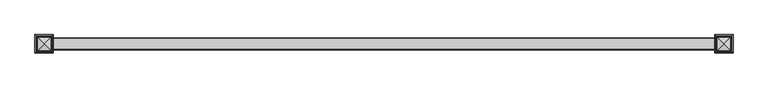
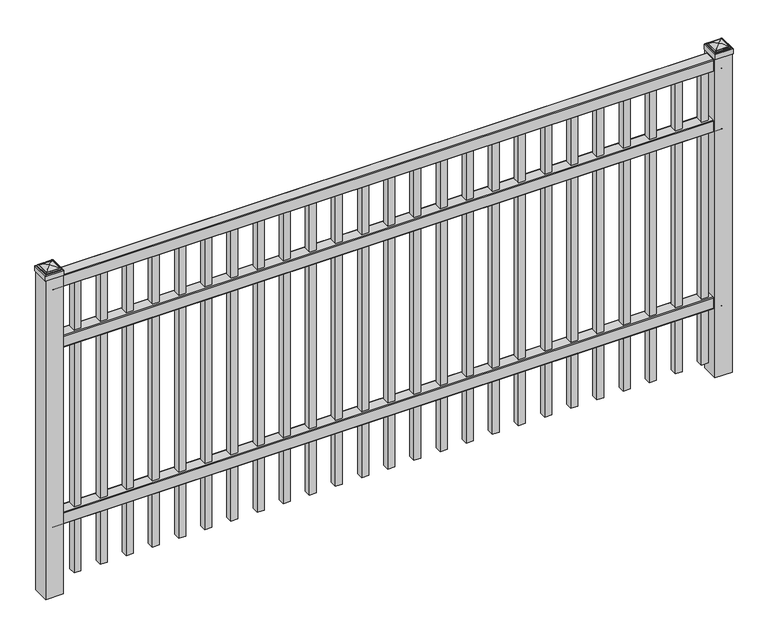
"""IFC4 building model written with IfcOpenShell, lengths in millimetres: railing geometry."""

from ifc_helpers import new_model, si_unit, point, frame, frame_2d, origin, origin_with_axes, place, context, project, spatial, polyline, circle_curve, ellipse_curve, trimmed, segment, composite_curve, outline, extrude, source, transform, mapped, element, save
from ifc_brep_helpers import plane_surface, cylinder_surface, advanced_brep


def railing_32d222ca(model_context):
    return source(origin(), model_context, "Body", "SolidModel", [
        extrude(outline(composite_curve([segment(polyline([(13397.9139761, 304.8), (13435.969541, 304.8)]), True, "CONTINUOUS"), segment(trimmed(circle_curve(frame_2d((13435.969541, 301.625)), 3.175), [point((13435.969541, 304.8))], [point((13439.144541, 301.625))], False, "CARTESIAN"), True, "CONTINUOUS"), segment(polyline([(13439.144541, 301.625), (13439.144541, 262.1439893)]), True, "CONTINUOUS"), segment(trimmed(circle_curve(frame_2d((13437.3505518, 262.1439893)), 1.7939893), [point((13439.144541, 262.1439893))], [point((13437.3505518, 260.35))], False, "CARTESIAN"), True, "CONTINUOUS"), segment(polyline([(13437.3505518, 260.35), (13434.7590713, 260.35)]), True, "CONTINUOUS"), segment(trimmed(circle_curve(frame_2d((13434.7590713, 262.1359375)), 1.7859375), [point((13434.7590713, 260.35))], [point((13432.9755813, 262.0424688))], False, "CARTESIAN"), True, "CONTINUOUS"), segment(polyline([(13432.9755813, 262.0424688), (13431.4025867, 292.0569942), (13402.4364954, 292.0569942), (13400.8635007, 262.0424688)]), True, "CONTINUOUS"), segment(trimmed(circle_curve(frame_2d((13399.0800108, 262.1359375)), 1.7859375), [point((13400.8635007, 262.0424688))], [point((13399.0800108, 260.35))], False, "CARTESIAN"), True, "CONTINUOUS"), segment(polyline([(13399.0800108, 260.35), (13396.4804785, 260.35)]), True, "CONTINUOUS"), segment(trimmed(circle_curve(frame_2d((13396.4804785, 262.1359375)), 1.7859375), [point((13396.4804785, 260.35))], [point((13394.694541, 262.1359375))], False, "CARTESIAN"), True, "CONTINUOUS"), segment(polyline([(13394.694541, 262.1359375), (13394.694541, 301.5805649)]), True, "CONTINUOUS"), segment(trimmed(circle_curve(frame_2d((13397.9139761, 301.5805649)), 3.2194351), [point((13394.694541, 301.5805649))], [point((13397.9139761, 304.8))], False, "CARTESIAN"), True, "CONTINUOUS")], self_intersect=False)), frame((-10765.0649936, 0.0, 0.0), z_axis=(1.0, 0.0, 0.0), x_axis=(0.0, 1.0, 0.0)), (0.0, 0.0, 1.0), 2438.4),
        extrude(outline(composite_curve([segment(polyline([(13397.9139761, 985.8375), (13435.969541, 985.8375)]), True, "CONTINUOUS"), segment(trimmed(circle_curve(frame_2d((13435.969541, 982.6625)), 3.175), [point((13435.969541, 985.8375))], [point((13439.144541, 982.6625))], False, "CARTESIAN"), True, "CONTINUOUS"), segment(polyline([(13439.144541, 982.6625), (13439.144541, 943.1814893)]), True, "CONTINUOUS"), segment(trimmed(circle_curve(frame_2d((13437.3505518, 943.1814893)), 1.7939893), [point((13439.144541, 943.1814893))], [point((13437.3505518, 941.3875))], False, "CARTESIAN"), True, "CONTINUOUS"), segment(polyline([(13437.3505518, 941.3875), (13434.7590713, 941.3875)]), True, "CONTINUOUS"), segment(trimmed(circle_curve(frame_2d((13434.7590713, 943.1734375)), 1.7859375), [point((13434.7590713, 941.3875))], [point((13432.9755813, 943.0799688))], False, "CARTESIAN"), True, "CONTINUOUS"), segment(polyline([(13432.9755813, 943.0799688), (13431.4025867, 973.0944942), (13402.4364954, 973.0944942), (13400.8635007, 943.0799688)]), True, "CONTINUOUS"), segment(trimmed(circle_curve(frame_2d((13399.0800108, 943.1734375)), 1.7859375), [point((13400.8635007, 943.0799688))], [point((13399.0800108, 941.3875))], False, "CARTESIAN"), True, "CONTINUOUS"), segment(polyline([(13399.0800108, 941.3875), (13396.4804785, 941.3875)]), True, "CONTINUOUS"), segment(trimmed(circle_curve(frame_2d((13396.4804785, 943.1734375)), 1.7859375), [point((13396.4804785, 941.3875))], [point((13394.694541, 943.1734375))], False, "CARTESIAN"), True, "CONTINUOUS"), segment(polyline([(13394.694541, 943.1734375), (13394.694541, 982.6180649)]), True, "CONTINUOUS"), segment(trimmed(circle_curve(frame_2d((13397.9139761, 982.6180649)), 3.2194351), [point((13394.694541, 982.6180649))], [point((13397.9139761, 985.8375))], False, "CARTESIAN"), True, "CONTINUOUS")], self_intersect=False)), frame((-10765.0649936, 0.0, 0.0), z_axis=(1.0, 0.0, 0.0), x_axis=(0.0, 1.0, 0.0)), (0.0, 0.0, 1.0), 2438.4),
        extrude(outline(composite_curve([segment(polyline([(13397.9139761, 1219.2), (13435.969541, 1219.2)]), True, "CONTINUOUS"), segment(trimmed(circle_curve(frame_2d((13435.969541, 1216.025)), 3.175), [point((13435.969541, 1219.2))], [point((13439.144541, 1216.025))], False, "CARTESIAN"), True, "CONTINUOUS"), segment(polyline([(13439.144541, 1216.025), (13439.144541, 1176.5439893)]), True, "CONTINUOUS"), segment(trimmed(circle_curve(frame_2d((13437.3505518, 1176.5439893)), 1.7939893), [point((13439.144541, 1176.5439893))], [point((13437.3505518, 1174.75))], False, "CARTESIAN"), True, "CONTINUOUS"), segment(polyline([(13437.3505518, 1174.75), (13434.7590713, 1174.75)]), True, "CONTINUOUS"), segment(trimmed(circle_curve(frame_2d((13434.7590713, 1176.5359375)), 1.7859375), [point((13434.7590713, 1174.75))], [point((13432.9755813, 1176.4424688))], False, "CARTESIAN"), True, "CONTINUOUS"), segment(polyline([(13432.9755813, 1176.4424688), (13431.4025867, 1206.4569942), (13402.4364954, 1206.4569942), (13400.8635007, 1176.4424688)]), True, "CONTINUOUS"), segment(trimmed(circle_curve(frame_2d((13399.0800108, 1176.5359375)), 1.7859375), [point((13400.8635007, 1176.4424688))], [point((13399.0800108, 1174.75))], False, "CARTESIAN"), True, "CONTINUOUS"), segment(polyline([(13399.0800108, 1174.75), (13396.4804785, 1174.75)]), True, "CONTINUOUS"), segment(trimmed(circle_curve(frame_2d((13396.4804785, 1176.5359375)), 1.7859375), [point((13396.4804785, 1174.75))], [point((13394.694541, 1176.5359375))], False, "CARTESIAN"), True, "CONTINUOUS"), segment(polyline([(13394.694541, 1176.5359375), (13394.694541, 1215.9805649)]), True, "CONTINUOUS"), segment(trimmed(circle_curve(frame_2d((13397.9139761, 1215.9805649)), 3.2194351), [point((13394.694541, 1215.9805649))], [point((13397.9139761, 1219.2))], False, "CARTESIAN"), True, "CONTINUOUS")], self_intersect=False)), frame((-10765.0649936, 0.0, 0.0), z_axis=(1.0, 0.0, 0.0), x_axis=(0.0, 1.0, 0.0)), (0.0, 0.0, 1.0), 2438.4),
        extrude(outline(polyline([(0.0, -1123.95), (0.0, 0.0), (25.4, 0.0), (25.4, -1123.95), (0.0, -1123.95)])), frame((-8371.1149864, 13429.619541, 1174.75), z_axis=(-1.0, 0.0, 3.6920138697683833e-09), x_axis=(0.0, -1.0, 0.0)), (0.0, 0.0, 1.0), 25.4),
        extrude(outline(polyline([(0.0, -1123.95), (0.0, 0.0), (25.4, 0.0), (25.4, -1123.95), (0.0, -1123.95)])), frame((-8466.3649864, 13429.619541, 1174.75), z_axis=(-1.0, 0.0, 3.6920138697683833e-09), x_axis=(0.0, -1.0, 0.0)), (0.0, 0.0, 1.0), 25.4),
        extrude(outline(polyline([(0.0, -1123.95), (0.0, 0.0), (25.4, 0.0), (25.4, -1123.95), (0.0, -1123.95)])), frame((-8561.6149864, 13429.619541, 1174.75), z_axis=(-1.0, 0.0, 3.6920138697683833e-09), x_axis=(0.0, -1.0, 0.0)), (0.0, 0.0, 1.0), 25.4),
        extrude(outline(polyline([(0.0, -1123.95), (0.0, 0.0), (25.4, 0.0), (25.4, -1123.95), (0.0, -1123.95)])), frame((-8656.8649864, 13429.619541, 1174.75), z_axis=(-1.0, 0.0, 3.6920138697683833e-09), x_axis=(0.0, -1.0, 0.0)), (0.0, 0.0, 1.0), 25.4),
        extrude(outline(polyline([(0.0, -1123.95), (0.0, 0.0), (25.4, 0.0), (25.4, -1123.95), (0.0, -1123.95)])), frame((-8752.1149864, 13429.619541, 1174.75), z_axis=(-1.0, 0.0, 3.6920138697683833e-09), x_axis=(0.0, -1.0, 0.0)), (0.0, 0.0, 1.0), 25.4),
        extrude(outline(polyline([(0.0, -1123.95), (0.0, 0.0), (25.4, 0.0), (25.4, -1123.95), (0.0, -1123.95)])), frame((-8847.3649864, 13429.619541, 1174.75), z_axis=(-1.0, 0.0, 3.6920138697683833e-09), x_axis=(0.0, -1.0, 0.0)), (0.0, 0.0, 1.0), 25.4),
        extrude(outline(polyline([(0.0, -1123.95), (0.0, 0.0), (25.4, 0.0), (25.4, -1123.95), (0.0, -1123.95)])), frame((-8942.6149864, 13429.619541, 1174.75), z_axis=(-1.0, 0.0, 3.6920138697683833e-09), x_axis=(0.0, -1.0, 0.0)), (0.0, 0.0, 1.0), 25.4),
        extrude(outline(polyline([(0.0, -1123.95), (0.0, 0.0), (25.4, 0.0), (25.4, -1123.95), (0.0, -1123.95)])), frame((-9037.8649864, 13429.619541, 1174.75), z_axis=(-1.0, 0.0, 3.6920138697683833e-09), x_axis=(0.0, -1.0, 0.0)), (0.0, 0.0, 1.0), 25.4),
        extrude(outline(polyline([(0.0, -1123.95), (0.0, 0.0), (25.4, 0.0), (25.4, -1123.95), (0.0, -1123.95)])), frame((-9133.1149864, 13429.619541, 1174.75), z_axis=(-1.0, 0.0, 3.6920138697683833e-09), x_axis=(0.0, -1.0, 0.0)), (0.0, 0.0, 1.0), 25.4),
        extrude(outline(polyline([(0.0, -1123.95), (0.0, 0.0), (25.4, 0.0), (25.4, -1123.95), (0.0, -1123.95)])), frame((-9228.3649864, 13429.619541, 1174.75), z_axis=(-1.0, 0.0, 3.6920138697683833e-09), x_axis=(0.0, -1.0, 0.0)), (0.0, 0.0, 1.0), 25.4),
        extrude(outline(polyline([(0.0, -1123.95), (0.0, 0.0), (25.4, 0.0), (25.4, -1123.95), (0.0, -1123.95)])), frame((-9323.6149864, 13429.619541, 1174.75), z_axis=(-1.0, 0.0, 3.6920138697683833e-09), x_axis=(0.0, -1.0, 0.0)), (0.0, 0.0, 1.0), 25.4),
        extrude(outline(polyline([(0.0, -1123.95), (0.0, 0.0), (25.4, 0.0), (25.4, -1123.95), (0.0, -1123.95)])), frame((-9418.8649864, 13429.619541, 1174.75), z_axis=(-1.0, 0.0, 3.6920138697683833e-09), x_axis=(0.0, -1.0, 0.0)), (0.0, 0.0, 1.0), 25.4),
        extrude(outline(polyline([(0.0, -1123.95), (0.0, 0.0), (25.4, 0.0), (25.4, -1123.95), (0.0, -1123.95)])), frame((-9514.1149864, 13429.619541, 1174.75), z_axis=(-1.0, 0.0, 3.6920138697683833e-09), x_axis=(0.0, -1.0, 0.0)), (0.0, 0.0, 1.0), 25.4),
        extrude(outline(polyline([(0.0, -1123.95), (0.0, 0.0), (25.4, 0.0), (25.4, -1123.95), (0.0, -1123.95)])), frame((-9609.3649864, 13429.619541, 1174.75), z_axis=(-1.0, 0.0, 3.6920138697683833e-09), x_axis=(0.0, -1.0, 0.0)), (0.0, 0.0, 1.0), 25.4),
        extrude(outline(polyline([(0.0, -1123.95), (0.0, 0.0), (25.4, 0.0), (25.4, -1123.95), (0.0, -1123.95)])), frame((-9704.6149864, 13429.619541, 1174.75), z_axis=(-1.0, 0.0, 3.6920138697683833e-09), x_axis=(0.0, -1.0, 0.0)), (0.0, 0.0, 1.0), 25.4),
        extrude(outline(polyline([(0.0, -1123.95), (0.0, 0.0), (25.4, 0.0), (25.4, -1123.95), (0.0, -1123.95)])), frame((-9799.8649864, 13429.619541, 1174.75), z_axis=(-1.0, 0.0, 3.6920138697683833e-09), x_axis=(0.0, -1.0, 0.0)), (0.0, 0.0, 1.0), 25.4),
        extrude(outline(polyline([(0.0, -1123.95), (0.0, 0.0), (25.4, 0.0), (25.4, -1123.95), (0.0, -1123.95)])), frame((-9895.1149864, 13429.619541, 1174.75), z_axis=(-1.0, 0.0, 3.6920138697683833e-09), x_axis=(0.0, -1.0, 0.0)), (0.0, 0.0, 1.0), 25.4),
        extrude(outline(polyline([(0.0, -1123.95), (0.0, 0.0), (25.4, 0.0), (25.4, -1123.95), (0.0, -1123.95)])), frame((-9990.3649864, 13429.619541, 1174.75), z_axis=(-1.0, 0.0, 3.6920138697683833e-09), x_axis=(0.0, -1.0, 0.0)), (0.0, 0.0, 1.0), 25.4),
        extrude(outline(polyline([(0.0, -1123.95), (0.0, 0.0), (25.4, 0.0), (25.4, -1123.95), (0.0, -1123.95)])), frame((-10085.6149864, 13429.619541, 1174.75), z_axis=(-1.0, 0.0, 3.6920138697683833e-09), x_axis=(0.0, -1.0, 0.0)), (0.0, 0.0, 1.0), 25.4),
        extrude(outline(polyline([(0.0, -1123.95), (0.0, 0.0), (25.4, 0.0), (25.4, -1123.95), (0.0, -1123.95)])), frame((-10180.8649864, 13429.619541, 1174.75), z_axis=(-1.0, 0.0, 3.6920138697683833e-09), x_axis=(0.0, -1.0, 0.0)), (0.0, 0.0, 1.0), 25.4),
        extrude(outline(polyline([(0.0, -1123.95), (0.0, 0.0), (25.4, 0.0), (25.4, -1123.95), (0.0, -1123.95)])), frame((-10276.1149864, 13429.619541, 1174.75), z_axis=(-1.0, 0.0, 3.6920138697683833e-09), x_axis=(0.0, -1.0, 0.0)), (0.0, 0.0, 1.0), 25.4),
        extrude(outline(polyline([(0.0, -1123.95), (0.0, 0.0), (25.4, 0.0), (25.4, -1123.95), (0.0, -1123.95)])), frame((-10371.3649864, 13429.619541, 1174.75), z_axis=(-1.0, 0.0, 3.6920138697683833e-09), x_axis=(0.0, -1.0, 0.0)), (0.0, 0.0, 1.0), 25.4),
        extrude(outline(polyline([(0.0, -1123.95), (0.0, 0.0), (25.4, 0.0), (25.4, -1123.95), (0.0, -1123.95)])), frame((-10466.6149864, 13429.619541, 1174.75), z_axis=(-1.0, 0.0, 3.6920138697683833e-09), x_axis=(0.0, -1.0, 0.0)), (0.0, 0.0, 1.0), 25.4),
        extrude(outline(polyline([(0.0, -1123.95), (0.0, 0.0), (25.4, 0.0), (25.4, -1123.95), (0.0, -1123.95)])), frame((-10561.8649864, 13429.619541, 1174.75), z_axis=(-1.0, 0.0, 3.6920138697683833e-09), x_axis=(0.0, -1.0, 0.0)), (0.0, 0.0, 1.0), 25.4),
        extrude(outline(polyline([(0.0, -1123.95), (0.0, 0.0), (25.4, 0.0), (25.4, -1123.95), (0.0, -1123.95)])), frame((-10657.1149864, 13429.619541, 1174.75), z_axis=(-1.0, 0.0, 3.6920138697683833e-09), x_axis=(0.0, -1.0, 0.0)), (0.0, 0.0, 1.0), 25.4),
        extrude(outline(polyline([(-8294.9149936, 13448.669541), (-8294.9149936, 13385.169541), (-8358.4149936, 13385.169541), (-8358.4149936, 13448.669541), (-8294.9149936, 13448.669541)])), origin_with_axes(), (0.0, 0.0, 1.0), 1227.1375),
        advanced_brep(
        [(-8360.0024936, 13450.257041, 1245.39375), (-8360.0024936, 13450.257041, 1227.1375), (-8360.0024936, 13383.582041, 1227.1375), (-8360.0024936, 13383.582041, 1245.39375), (-8357.6212436, 13447.875791, 1247.775), (-8357.6212436, 13385.963291, 1247.775), (-8355.2399936, 13445.494541, 1250.15625), (-8355.2399936, 13445.494541, 1247.775), (-8355.2399936, 13388.344541, 1247.775), (-8355.2399936, 13388.344541, 1250.15625), (-8352.8587436, 13443.113291, 1252.5375), (-8352.8587436, 13390.725791, 1252.5375), (-8326.6649936, 13416.919541, 1258.8875), (-8350.4774936, 13440.732041, 1252.5375), (-8350.4774936, 13393.107041, 1252.5375), (-8293.3274936, 13383.582041, 1227.1375), (-8293.3274936, 13383.582041, 1245.39375), (-8295.7087436, 13385.963291, 1247.775), (-8298.0899936, 13388.344541, 1247.775), (-8298.0899936, 13388.344541, 1250.15625), (-8300.4712436, 13390.725791, 1252.5375), (-8302.8524936, 13393.107041, 1252.5375), (-8293.3274936, 13450.257041, 1227.1375), (-8293.3274936, 13450.257041, 1245.39375), (-8295.7087436, 13447.875791, 1247.775), (-8298.0899936, 13445.494541, 1247.775), (-8298.0899936, 13445.494541, 1250.15625), (-8300.4712436, 13443.113291, 1252.5375), (-8302.8524936, 13440.732041, 1252.5375)],
        [
            (0, 1),
            (1, 2),
            (2, 3),
            (3, 0),
            (4, 0, ellipse_curve(frame((-8357.6212436, 13447.875791, 1245.39375), z_axis=(-0.70710678118655, -0.7071067811865449, 0.0), x_axis=(-0.7071067811865448, 0.7071067811865501, 0.0)), 3.367596, 2.38125)),
            (3, 5, ellipse_curve(frame((-8357.6212436, 13385.963291, 1245.39375), z_axis=(-0.7071067811865449, 0.70710678118655, 0.0), x_axis=(0.7071067811865499, 0.707106781186545, 0.0)), 3.367596, 2.38125)),
            (5, 4),
            (6, 7),
            (7, 8),
            (8, 9),
            (9, 6),
            (10, 6, ellipse_curve(frame((-8352.8587436, 13443.113291, 1250.15625), z_axis=(-0.70710678118655, -0.7071067811865449, 0.0), x_axis=(-0.7071067811865448, 0.7071067811865501, 0.0)), 3.367596, 2.38125)),
            (9, 11, ellipse_curve(frame((-8352.8587436, 13390.725791, 1250.15625), z_axis=(-0.7071067811865449, 0.70710678118655, 0.0), x_axis=(0.7071067811865499, 0.707106781186545, 0.0)), 3.367596, 2.38125)),
            (11, 10),
            (12, 13, ellipse_curve(frame((-8326.6649936, 13416.919541, 1211.0640625), z_axis=(-0.70710678118655, -0.7071067811865449, 0.0), x_axis=(-0.7071067811865448, 0.7071067811865501, 0.0)), 67.6325539, 47.8234375)),
            (13, 14),
            (14, 12, ellipse_curve(frame((-8326.6649936, 13416.919541, 1211.0640625), z_axis=(-0.7071067811865449, 0.70710678118655, 0.0), x_axis=(0.7071067811865499, 0.707106781186545, 0.0)), 67.6325539, 47.8234375)),
            (2, 15),
            (15, 16),
            (16, 3),
            (16, 17, ellipse_curve(frame((-8295.7087436, 13385.963291, 1245.39375), z_axis=(-0.70710678118655, -0.707106781186545, 0.0), x_axis=(-0.707106781186545, 0.70710678118655, 0.0)), 3.367596, 2.38125)),
            (17, 5),
            (8, 18),
            (18, 19),
            (19, 9),
            (19, 20, ellipse_curve(frame((-8300.4712436, 13390.725791, 1250.15625), z_axis=(-0.70710678118655, -0.707106781186545, 0.0), x_axis=(-0.707106781186545, 0.70710678118655, 0.0)), 3.367596, 2.38125)),
            (20, 11),
            (14, 21),
            (21, 12, ellipse_curve(frame((-8326.6649936, 13416.919541, 1211.0640625), z_axis=(-0.70710678118655, -0.707106781186545, 0.0), x_axis=(-0.707106781186545, 0.70710678118655, 0.0)), 67.6325539, 47.8234375)),
            (15, 22),
            (22, 23),
            (23, 16),
            (23, 24, ellipse_curve(frame((-8295.7087436, 13447.875791, 1245.39375), z_axis=(0.707106781186545, -0.7071067811865499, 0.0), x_axis=(-0.7071067811865497, -0.7071067811865452, 0.0)), 3.367596, 2.38125)),
            (24, 17),
            (18, 25),
            (25, 26),
            (26, 19),
            (26, 27, ellipse_curve(frame((-8300.4712436, 13443.113291, 1250.15625), z_axis=(0.707106781186545, -0.7071067811865499, 0.0), x_axis=(-0.7071067811865497, -0.7071067811865452, 0.0)), 3.367596, 2.38125)),
            (27, 20),
            (21, 28),
            (28, 12, ellipse_curve(frame((-8326.6649936, 13416.919541, 1211.0640625), z_axis=(0.707106781186545, -0.7071067811865499, 0.0), x_axis=(-0.7071067811865497, -0.7071067811865452, 0.0)), 67.6325539, 47.8234375)),
            (22, 1),
            (0, 23),
            (4, 24),
            (7, 25),
            (6, 26),
            (10, 27),
            (13, 28),
        ],
        [
            plane_surface(frame((-8360.0024936, 13450.257041, 1227.1375), z_axis=(-1.0, 0.0, 0.0), x_axis=(0.0, -1.0, 0.0))),
            cylinder_surface(frame((-8357.6212436, 13448.669541, 1245.39375), z_axis=(0.0, 1.0, 0.0), x_axis=(1.0, 0.0, 0.0)), 2.38125),
            plane_surface(frame((-8355.2399936, 13445.494541, 1247.775), z_axis=(-1.0, 0.0, 0.0), x_axis=(0.0, -1.0, 0.0))),
            cylinder_surface(frame((-8352.8587436, 13448.669541, 1250.15625), z_axis=(0.0, 1.0, 0.0), x_axis=(1.0, 0.0, 0.0)), 2.38125),
            cylinder_surface(frame((-8326.6649936, 13448.669541, 1211.0640625), z_axis=(0.0, 1.0, 0.0), x_axis=(1.0, 0.0, 0.0)), 47.8234375),
            plane_surface(frame((-8360.0024936, 13383.582041, 1227.1375), z_axis=(0.0, -1.0, 0.0), x_axis=(1.0, 0.0, 0.0))),
            cylinder_surface(frame((-8358.4149936, 13385.963291, 1245.39375), z_axis=(-1.0, 0.0, 0.0), x_axis=(0.0, 1.0, 0.0)), 2.38125),
            plane_surface(frame((-8355.2399936, 13388.344541, 1247.775), z_axis=(0.0, -1.0, 0.0), x_axis=(1.0, 0.0, 0.0))),
            cylinder_surface(frame((-8358.4149936, 13390.725791, 1250.15625), z_axis=(-1.0, 0.0, 0.0), x_axis=(0.0, 1.0, 0.0)), 2.38125),
            cylinder_surface(frame((-8358.4149936, 13416.919541, 1211.0640625), z_axis=(-1.0, 0.0, 0.0), x_axis=(0.0, 1.0, 0.0)), 47.8234375),
            plane_surface(frame((-8293.3274936, 13383.582041, 1227.1375), z_axis=(1.0, 0.0, 0.0), x_axis=(0.0, 1.0, 0.0))),
            cylinder_surface(frame((-8295.7087436, 13385.169541, 1245.39375), z_axis=(0.0, -1.0, 0.0), x_axis=(-1.0, 0.0, 0.0)), 2.38125),
            plane_surface(frame((-8298.0899936, 13388.344541, 1247.775), z_axis=(1.0, 0.0, 0.0), x_axis=(0.0, 1.0, 0.0))),
            cylinder_surface(frame((-8300.4712436, 13385.169541, 1250.15625), z_axis=(0.0, -1.0, 0.0), x_axis=(-1.0, 0.0, 0.0)), 2.38125),
            cylinder_surface(frame((-8326.6649936, 13385.169541, 1211.0640625), z_axis=(0.0, -1.0, 0.0), x_axis=(-1.0, 0.0, 0.0)), 47.8234375),
            plane_surface(frame((-8293.3274936, 13450.257041, 1227.1375), z_axis=(0.0, 1.0, 0.0), x_axis=(-1.0, 0.0, 0.0))),
            cylinder_surface(frame((-8294.9149936, 13447.875791, 1245.39375), z_axis=(1.0, 0.0, 0.0), x_axis=(0.0, -1.0, 0.0)), 2.38125),
            plane_surface(frame((-8295.7087436, 13447.875791, 1247.775), z_axis=(0.0, 0.0, 1.0), x_axis=(-1.0, 0.0, 0.0))),
            plane_surface(frame((-8298.0899936, 13445.494541, 1247.775), z_axis=(0.0, 1.0, 0.0), x_axis=(-1.0, 0.0, 0.0))),
            cylinder_surface(frame((-8294.9149936, 13443.113291, 1250.15625), z_axis=(1.0, 0.0, 0.0), x_axis=(0.0, -1.0, 0.0)), 2.38125),
            plane_surface(frame((-8300.4712436, 13443.113291, 1252.5375), z_axis=(0.0, 0.0, 1.0), x_axis=(-1.0, 0.0, 0.0))),
            cylinder_surface(frame((-8294.9149936, 13416.919541, 1211.0640625), z_axis=(1.0, 0.0, 0.0), x_axis=(0.0, -1.0, 0.0)), 47.8234375),
            plane_surface(frame((-8326.6649936, 13416.919541, 1227.1375), z_axis=(0.0, 0.0, -1.0), x_axis=(-1.0, 0.0, 0.0))),
        ],
        [
            (0, [[1, 2, 3, 4]]),
            (1, [[5, -4, 6, 7]]),
            (2, [[8, 9, 10, 11]]),
            (3, [[12, -11, 13, 14]]),
            (4, [[15, 16, 17]]),
            (5, [[-3, 18, 19, 20]]),
            (6, [[-6, -20, 21, 22]]),
            (7, [[-10, 23, 24, 25]]),
            (8, [[-13, -25, 26, 27]]),
            (9, [[-17, 28, 29]]),
            (10, [[-19, 30, 31, 32]]),
            (11, [[-21, -32, 33, 34]]),
            (12, [[-24, 35, 36, 37]]),
            (13, [[-26, -37, 38, 39]]),
            (14, [[-29, 40, 41]]),
            (15, [[-31, 42, -1, 43]]),
            (16, [[-33, -43, -5, 44]]),
            (17, [[-22, -34, -44, -7], [45, -35, -23, -9]]),
            (18, [[-36, -45, -8, 46]]),
            (19, [[-38, -46, -12, 47]]),
            (20, [[-27, -39, -47, -14], [48, -40, -28, -16]]),
            (21, [[-41, -48, -15]]),
            (22, [[-42, -30, -18, -2]]),
        ],
    ),
        extrude(outline(polyline([(-10733.3149936, 13448.669541), (-10733.3149936, 13385.169541), (-10796.8149936, 13385.169541), (-10796.8149936, 13448.669541), (-10733.3149936, 13448.669541)])), origin_with_axes(), (0.0, 0.0, 1.0), 1227.1375),
        advanced_brep(
        [(-10798.4024936, 13450.257041, 1245.39375), (-10798.4024936, 13450.257041, 1227.1375), (-10798.4024936, 13383.582041, 1227.1375), (-10798.4024936, 13383.582041, 1245.39375), (-10796.0212436, 13447.875791, 1247.775), (-10796.0212436, 13385.963291, 1247.775), (-10793.6399936, 13445.494541, 1250.15625), (-10793.6399936, 13445.494541, 1247.775), (-10793.6399936, 13388.344541, 1247.775), (-10793.6399936, 13388.344541, 1250.15625), (-10791.2587436, 13443.113291, 1252.5375), (-10791.2587436, 13390.725791, 1252.5375), (-10765.0649936, 13416.919541, 1258.8875), (-10788.8774936, 13440.732041, 1252.5375), (-10788.8774936, 13393.107041, 1252.5375), (-10731.7274936, 13383.582041, 1227.1375), (-10731.7274936, 13383.582041, 1245.39375), (-10734.1087436, 13385.963291, 1247.775), (-10736.4899936, 13388.344541, 1247.775), (-10736.4899936, 13388.344541, 1250.15625), (-10738.8712436, 13390.725791, 1252.5375), (-10741.2524936, 13393.107041, 1252.5375), (-10731.7274936, 13450.257041, 1227.1375), (-10731.7274936, 13450.257041, 1245.39375), (-10734.1087436, 13447.875791, 1247.775), (-10736.4899936, 13445.494541, 1247.775), (-10736.4899936, 13445.494541, 1250.15625), (-10738.8712436, 13443.113291, 1252.5375), (-10741.2524936, 13440.732041, 1252.5375)],
        [
            (0, 1),
            (1, 2),
            (2, 3),
            (3, 0),
            (4, 0, ellipse_curve(frame((-10796.0212436, 13447.875791, 1245.39375), z_axis=(-0.70710678118655, -0.7071067811865449, 0.0), x_axis=(-0.7071067811865448, 0.7071067811865501, 0.0)), 3.367596, 2.38125)),
            (3, 5, ellipse_curve(frame((-10796.0212436, 13385.963291, 1245.39375), z_axis=(-0.7071067811865449, 0.70710678118655, 0.0), x_axis=(0.7071067811865499, 0.707106781186545, 0.0)), 3.367596, 2.38125)),
            (5, 4),
            (6, 7),
            (7, 8),
            (8, 9),
            (9, 6),
            (10, 6, ellipse_curve(frame((-10791.2587436, 13443.113291, 1250.15625), z_axis=(-0.70710678118655, -0.7071067811865449, 0.0), x_axis=(-0.7071067811865448, 0.7071067811865501, 0.0)), 3.367596, 2.38125)),
            (9, 11, ellipse_curve(frame((-10791.2587436, 13390.725791, 1250.15625), z_axis=(-0.7071067811865449, 0.70710678118655, 0.0), x_axis=(0.7071067811865499, 0.707106781186545, 0.0)), 3.367596, 2.38125)),
            (11, 10),
            (12, 13, ellipse_curve(frame((-10765.0649936, 13416.919541, 1211.0640625), z_axis=(-0.70710678118655, -0.7071067811865449, 0.0), x_axis=(-0.7071067811865448, 0.7071067811865501, 0.0)), 67.6325539, 47.8234375)),
            (13, 14),
            (14, 12, ellipse_curve(frame((-10765.0649936, 13416.919541, 1211.0640625), z_axis=(-0.7071067811865449, 0.70710678118655, 0.0), x_axis=(0.7071067811865499, 0.707106781186545, 0.0)), 67.6325539, 47.8234375)),
            (2, 15),
            (15, 16),
            (16, 3),
            (16, 17, ellipse_curve(frame((-10734.1087436, 13385.963291, 1245.39375), z_axis=(-0.70710678118655, -0.707106781186545, 0.0), x_axis=(-0.707106781186545, 0.70710678118655, 0.0)), 3.367596, 2.38125)),
            (17, 5),
            (8, 18),
            (18, 19),
            (19, 9),
            (19, 20, ellipse_curve(frame((-10738.8712436, 13390.725791, 1250.15625), z_axis=(-0.70710678118655, -0.707106781186545, 0.0), x_axis=(-0.707106781186545, 0.70710678118655, 0.0)), 3.367596, 2.38125)),
            (20, 11),
            (14, 21),
            (21, 12, ellipse_curve(frame((-10765.0649936, 13416.919541, 1211.0640625), z_axis=(-0.70710678118655, -0.707106781186545, 0.0), x_axis=(-0.707106781186545, 0.70710678118655, 0.0)), 67.6325539, 47.8234375)),
            (15, 22),
            (22, 23),
            (23, 16),
            (23, 24, ellipse_curve(frame((-10734.1087436, 13447.875791, 1245.39375), z_axis=(0.707106781186545, -0.7071067811865499, 0.0), x_axis=(-0.7071067811865497, -0.7071067811865452, 0.0)), 3.367596, 2.38125)),
            (24, 17),
            (18, 25),
            (25, 26),
            (26, 19),
            (26, 27, ellipse_curve(frame((-10738.8712436, 13443.113291, 1250.15625), z_axis=(0.707106781186545, -0.7071067811865499, 0.0), x_axis=(-0.7071067811865497, -0.7071067811865452, 0.0)), 3.367596, 2.38125)),
            (27, 20),
            (21, 28),
            (28, 12, ellipse_curve(frame((-10765.0649936, 13416.919541, 1211.0640625), z_axis=(0.707106781186545, -0.7071067811865499, 0.0), x_axis=(-0.7071067811865497, -0.7071067811865452, 0.0)), 67.6325539, 47.8234375)),
            (22, 1),
            (0, 23),
            (4, 24),
            (7, 25),
            (6, 26),
            (10, 27),
            (13, 28),
        ],
        [
            plane_surface(frame((-10798.4024936, 13450.257041, 1227.1375), z_axis=(-1.0, 0.0, 0.0), x_axis=(0.0, -1.0, 0.0))),
            cylinder_surface(frame((-10796.0212436, 13448.669541, 1245.39375), z_axis=(0.0, 1.0, 0.0), x_axis=(1.0, 0.0, 0.0)), 2.38125),
            plane_surface(frame((-10793.6399936, 13445.494541, 1247.775), z_axis=(-1.0, 0.0, 0.0), x_axis=(0.0, -1.0, 0.0))),
            cylinder_surface(frame((-10791.2587436, 13448.669541, 1250.15625), z_axis=(0.0, 1.0, 0.0), x_axis=(1.0, 0.0, 0.0)), 2.38125),
            cylinder_surface(frame((-10765.0649936, 13448.669541, 1211.0640625), z_axis=(0.0, 1.0, 0.0), x_axis=(1.0, 0.0, 0.0)), 47.8234375),
            plane_surface(frame((-10798.4024936, 13383.582041, 1227.1375), z_axis=(0.0, -1.0, 0.0), x_axis=(1.0, 0.0, 0.0))),
            cylinder_surface(frame((-10796.8149936, 13385.963291, 1245.39375), z_axis=(-1.0, 0.0, 0.0), x_axis=(0.0, 1.0, 0.0)), 2.38125),
            plane_surface(frame((-10793.6399936, 13388.344541, 1247.775), z_axis=(0.0, -1.0, 0.0), x_axis=(1.0, 0.0, 0.0))),
            cylinder_surface(frame((-10796.8149936, 13390.725791, 1250.15625), z_axis=(-1.0, 0.0, 0.0), x_axis=(0.0, 1.0, 0.0)), 2.38125),
            cylinder_surface(frame((-10796.8149936, 13416.919541, 1211.0640625), z_axis=(-1.0, 0.0, 0.0), x_axis=(0.0, 1.0, 0.0)), 47.8234375),
            plane_surface(frame((-10731.7274936, 13383.582041, 1227.1375), z_axis=(1.0, 0.0, 0.0), x_axis=(0.0, 1.0, 0.0))),
            cylinder_surface(frame((-10734.1087436, 13385.169541, 1245.39375), z_axis=(0.0, -1.0, 0.0), x_axis=(-1.0, 0.0, 0.0)), 2.38125),
            plane_surface(frame((-10736.4899936, 13388.344541, 1247.775), z_axis=(1.0, 0.0, 0.0), x_axis=(0.0, 1.0, 0.0))),
            cylinder_surface(frame((-10738.8712436, 13385.169541, 1250.15625), z_axis=(0.0, -1.0, 0.0), x_axis=(-1.0, 0.0, 0.0)), 2.38125),
            cylinder_surface(frame((-10765.0649936, 13385.169541, 1211.0640625), z_axis=(0.0, -1.0, 0.0), x_axis=(-1.0, 0.0, 0.0)), 47.8234375),
            plane_surface(frame((-10731.7274936, 13450.257041, 1227.1375), z_axis=(0.0, 1.0, 0.0), x_axis=(-1.0, 0.0, 0.0))),
            cylinder_surface(frame((-10733.3149936, 13447.875791, 1245.39375), z_axis=(1.0, 0.0, 0.0), x_axis=(0.0, -1.0, 0.0)), 2.38125),
            plane_surface(frame((-10734.1087436, 13447.875791, 1247.775), z_axis=(0.0, 0.0, 1.0), x_axis=(-1.0, 0.0, 0.0))),
            plane_surface(frame((-10736.4899936, 13445.494541, 1247.775), z_axis=(0.0, 1.0, 0.0), x_axis=(-1.0, 0.0, 0.0))),
            cylinder_surface(frame((-10733.3149936, 13443.113291, 1250.15625), z_axis=(1.0, 0.0, 0.0), x_axis=(0.0, -1.0, 0.0)), 2.38125),
            plane_surface(frame((-10738.8712436, 13443.113291, 1252.5375), z_axis=(0.0, 0.0, 1.0), x_axis=(-1.0, 0.0, 0.0))),
            cylinder_surface(frame((-10733.3149936, 13416.919541, 1211.0640625), z_axis=(1.0, 0.0, 0.0), x_axis=(0.0, -1.0, 0.0)), 47.8234375),
            plane_surface(frame((-10765.0649936, 13416.919541, 1227.1375), z_axis=(0.0, 0.0, -1.0), x_axis=(-1.0, 0.0, 0.0))),
        ],
        [
            (0, [[1, 2, 3, 4]]),
            (1, [[5, -4, 6, 7]]),
            (2, [[8, 9, 10, 11]]),
            (3, [[12, -11, 13, 14]]),
            (4, [[15, 16, 17]]),
            (5, [[-3, 18, 19, 20]]),
            (6, [[-6, -20, 21, 22]]),
            (7, [[-10, 23, 24, 25]]),
            (8, [[-13, -25, 26, 27]]),
            (9, [[-17, 28, 29]]),
            (10, [[-19, 30, 31, 32]]),
            (11, [[-21, -32, 33, 34]]),
            (12, [[-24, 35, 36, 37]]),
            (13, [[-26, -37, 38, 39]]),
            (14, [[-29, 40, 41]]),
            (15, [[-31, 42, -1, 43]]),
            (16, [[-33, -43, -5, 44]]),
            (17, [[-22, -34, -44, -7], [45, -35, -23, -9]]),
            (18, [[-36, -45, -8, 46]]),
            (19, [[-38, -46, -12, 47]]),
            (20, [[-27, -39, -47, -14], [48, -40, -28, -16]]),
            (21, [[-41, -48, -15]]),
            (22, [[-42, -30, -18, -2]]),
        ],
    ),
    ])


if __name__ == "__main__":
    model = new_model("IFC4")
    model_context = context("Model", 3, world=origin())
    ifc_project = project(units=[si_unit("LENGTHUNIT", "METRE", prefix="MILLI")], contexts=[model_context])
    site = spatial("IfcSite", under=ifc_project)
    building = spatial("IfcBuilding", under=site)
    placement = place(None, origin())
    railing_shape = railing_32d222ca(model_context)
    element("IfcRailing", 1, at=placement, inside=building, context=model_context, shape_type="MappedRepresentation", body=[
        mapped(railing_shape, transform((0.0, 0.0, 0.0), x_axis=(1.0, 0.0, 0.0), y_axis=(0.0, 1.0, 0.0), z_axis=(0.0, 0.0, 1.0))),
    ])
    save(model, "model.ifc")
